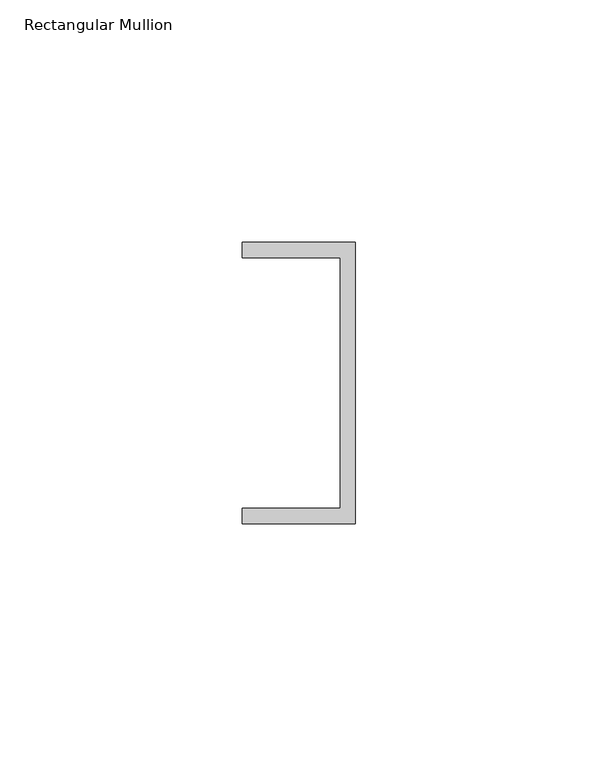
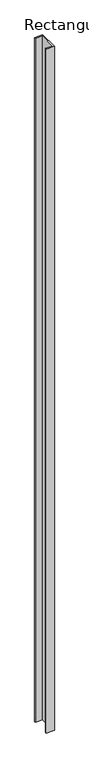
"""IFC4 building model written with IfcOpenShell, lengths in millimetres: member geometry, Rectangular Mullion."""

from ifc_helpers import new_model, si_unit, frame, origin, place, context, project, spatial, polyline, outline, extrude, source, transform, mapped, element, save


def rectangular_mullion_8b23e5bd(model_context):
    return source(origin(), model_context, "Body", "SweptSolid", [
        extrude(outline(polyline([(0.0, 29.0214844), (0.0, -29.0214844), (-23.3164063, -29.0214844), (-23.3164063, -25.8464844), (-3.175, -25.8464844), (-3.175, 25.8464844), (-23.3164063, 25.8464844), (-23.3164063, 29.0214844), (0.0, 29.0214844)])), frame((0.0, 0.0, -2091.6304687), z_axis=(0.0, 0.0, 1.0), x_axis=(1.0, 0.0, 0.0)), (0.0, 0.0, 1.0), 2091.6304688),
    ])


if __name__ == "__main__":
    model = new_model("IFC4")
    model_context = context("Model", 3, world=origin())
    ifc_project = project(units=[si_unit("LENGTHUNIT", "METRE", prefix="MILLI")], contexts=[model_context])
    site = spatial("IfcSite", under=ifc_project)
    building = spatial("IfcBuilding", under=site)
    placement = place(None, origin())
    rectangular_mullion_shape = rectangular_mullion_8b23e5bd(model_context)
    element("IfcMember", 1, ObjectType="Rectangular Mullion", at=placement, inside=building, context=model_context, shape_type="MappedRepresentation", body=[
        mapped(rectangular_mullion_shape, transform((0.0, 0.0, 0.0), x_axis=(1.0, 0.0, 0.0), y_axis=(0.0, 1.0, 0.0), z_axis=(0.0, 0.0, 1.0))),
    ])
    save(model, "model.ifc")
